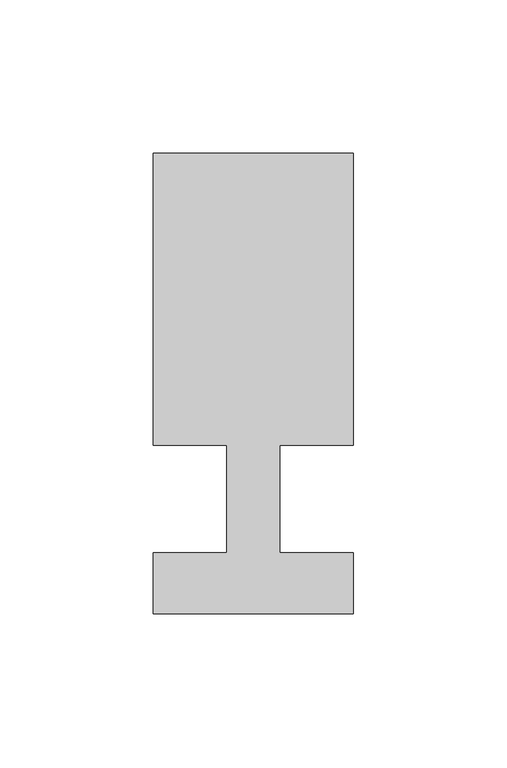
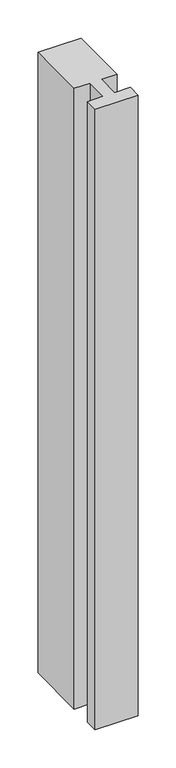
"""IFC4 building model written with IfcOpenShell, lengths in millimetres: member geometry."""

from ifc_helpers import new_model, si_unit, frame, origin, place, context, project, spatial, polyline, outline, extrude, source, transform, mapped, element, save


def member_fda68165(model_context):
    return source(origin(), model_context, "Body", "SweptSolid", [
        extrude(outline(polyline([(-65.0, -37.0), (-65.0, -17.0), (-41.1875, -17.0), (-41.1875, 18.0), (-65.0, 18.0), (-65.0, 113.0), (0.0, 113.0), (0.0, 18.0), (-23.8125, 18.0), (-23.8125, -17.0), (0.0, -17.0), (0.0, -37.0), (-65.0, -37.0)])), frame((0.0, 0.0, -992.9107143), z_axis=(0.0, 0.0, 1.0), x_axis=(1.0, 0.0, 0.0)), (0.0, 0.0, 1.0), 992.9107143),
    ])


if __name__ == "__main__":
    model = new_model("IFC4")
    model_context = context("Model", 3, world=origin())
    ifc_project = project(units=[si_unit("LENGTHUNIT", "METRE", prefix="MILLI")], contexts=[model_context])
    site = spatial("IfcSite", under=ifc_project)
    building = spatial("IfcBuilding", under=site)
    placement = place(None, origin())
    member_shape = member_fda68165(model_context)
    element("IfcMember", 1, at=placement, inside=building, context=model_context, shape_type="MappedRepresentation", body=[
        mapped(member_shape, transform((0.0, 0.0, 0.0), x_axis=(1.0, 0.0, 0.0), y_axis=(0.0, 1.0, 0.0), z_axis=(0.0, 0.0, 1.0))),
    ])
    save(model, "model.ifc")
